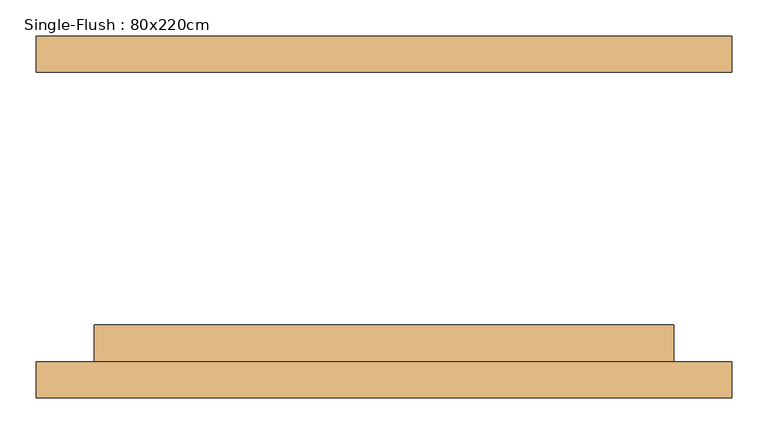
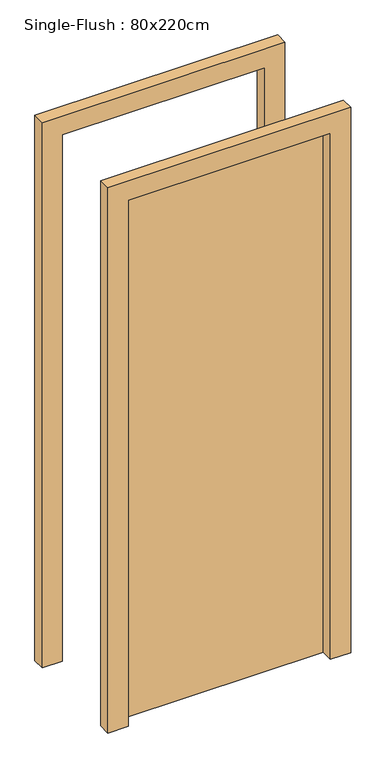
"""IFC4 building model written with IfcOpenShell, lengths in millimetres: door geometry, Single-Flush : 80x220cm."""

from ifc_helpers import new_model, si_unit, frame, origin, origin_with_axes, place, context, project, spatial, polyline, outline, extrude, source, transform, mapped, element, save


def single_flush_80x220cm_3ebc6ada(model_context):
    return source(origin(), model_context, "Body", "SweptSolid", [
        extrude(outline(polyline([(2280.0, -480.0), (0.0, -480.0), (0.0, -400.0), (2200.0, -400.0), (2200.0, 400.0), (0.0, 400.0), (0.0, 480.0), (2280.0, 480.0), (2280.0, -480.0)])), frame((0.0, -250.0, 0.0), z_axis=(0.0, 1.0, 0.0), x_axis=(0.0, 0.0, 1.0)), (0.0, 0.0, 1.0), 50.0),
        extrude(outline(polyline([(2280.0, 480.0), (2280.0, -480.0), (0.0, -480.0), (0.0, -400.0), (2200.0, -400.0), (2200.0, 400.0), (0.0, 400.0), (0.0, 480.0), (2280.0, 480.0)])), frame((0.0, 200.0, 0.0), z_axis=(0.0, 1.0, 0.0), x_axis=(0.0, 0.0, 1.0)), (0.0, 0.0, 1.0), 50.0),
        extrude(outline(polyline([(400.0, -149.2), (400.0, -200.0), (-400.0, -200.0), (-400.0, -149.2), (400.0, -149.2)])), origin_with_axes(), (0.0, 0.0, 1.0), 2200.0),
    ])


if __name__ == "__main__":
    model = new_model("IFC4")
    model_context = context("Model", 3, world=origin())
    ifc_project = project(units=[si_unit("LENGTHUNIT", "METRE", prefix="MILLI")], contexts=[model_context])
    site = spatial("IfcSite", under=ifc_project)
    building = spatial("IfcBuilding", under=site)
    placement = place(None, origin())
    single_flush_80x220cm_shape = single_flush_80x220cm_3ebc6ada(model_context)
    element("IfcDoor", 1, ObjectType="Single-Flush : 80x220cm", at=placement, inside=building, context=model_context, shape_type="MappedRepresentation", body=[
        mapped(single_flush_80x220cm_shape, transform((0.0, 0.0, 0.0), x_axis=(1.0, 0.0, 0.0), y_axis=(0.0, 1.0, 0.0), z_axis=(0.0, 0.0, 1.0))),
    ])
    save(model, "model.ifc")
